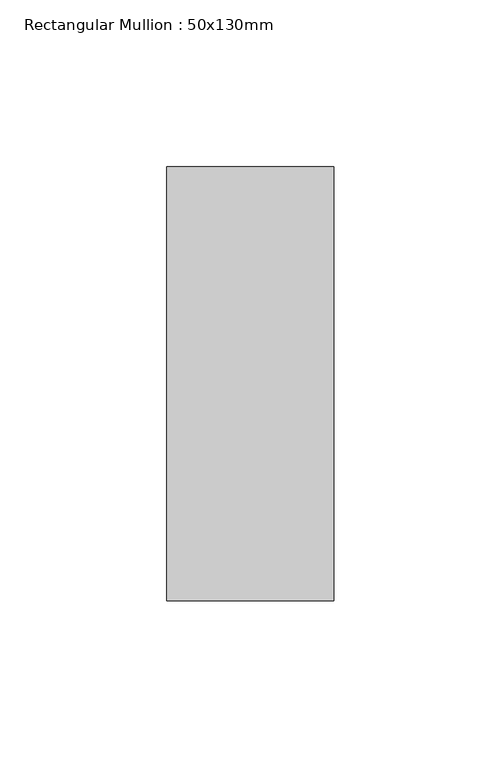
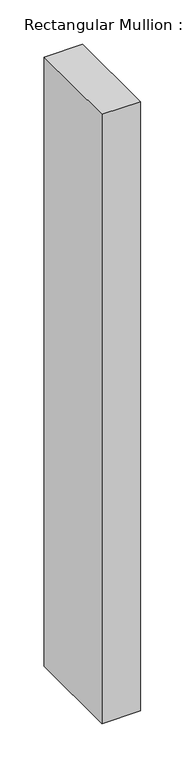
"""IFC4 building model written with IfcOpenShell, lengths in millimetres: member geometry, Rectangular Mullion : 50x130mm."""

from ifc_helpers import new_model, si_unit, frame, origin, place, context, project, spatial, polyline, outline, extrude, source, transform, mapped, element, save


def rectangular_mullion_50x130mm_2baf697e(model_context):
    return source(origin(), model_context, "Body", "SweptSolid", [
        extrude(outline(polyline([(0.0, 65.0), (0.0, -65.0), (-50.0, -65.0), (-50.0, 65.0), (0.0, 65.0)])), frame((0.0, 0.0, -837.21375), z_axis=(0.0, 0.0, 1.0), x_axis=(1.0, 0.0, 0.0)), (0.0, 0.0, 1.0), 837.21375),
    ])


if __name__ == "__main__":
    model = new_model("IFC4")
    model_context = context("Model", 3, world=origin())
    ifc_project = project(units=[si_unit("LENGTHUNIT", "METRE", prefix="MILLI")], contexts=[model_context])
    site = spatial("IfcSite", under=ifc_project)
    building = spatial("IfcBuilding", under=site)
    placement = place(None, origin())
    rectangular_mullion_50x130mm_shape = rectangular_mullion_50x130mm_2baf697e(model_context)
    element("IfcMember", 1, ObjectType="Rectangular Mullion : 50x130mm", at=placement, inside=building, context=model_context, shape_type="MappedRepresentation", body=[
        mapped(rectangular_mullion_50x130mm_shape, transform((0.0, 0.0, 0.0), x_axis=(1.0, 0.0, 0.0), y_axis=(0.0, 1.0, 0.0), z_axis=(0.0, 0.0, 1.0))),
    ])
    save(model, "model.ifc")
